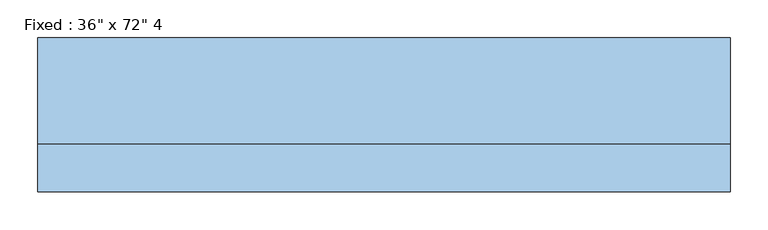
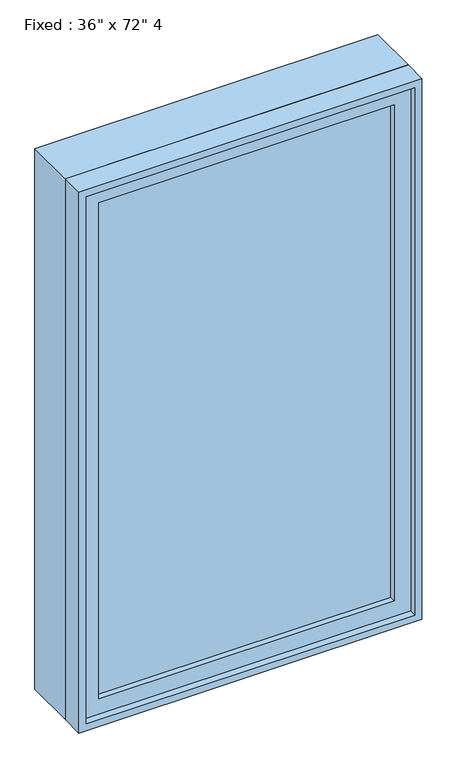
"""IFC4 building model written with IfcOpenShell, lengths in millimetres: window geometry."""

from ifc_helpers import new_model, si_unit, frame, origin, place, context, project, spatial, polyline, outline, extrude, source, transform, mapped, element, save


def window_cda71de7(model_context):
    return source(origin(), model_context, "Body", "SweptSolid", [
        extrude(outline(polyline([(355.6, -53.975), (355.6, -66.675), (-431.8, -66.675), (-431.8, -53.975), (355.6, -53.975)])), frame((0.0, 0.0, 368.3), z_axis=(0.0, 0.0, 1.0), x_axis=(1.0, 0.0, 0.0)), (0.0, 0.0, 1.0), 1397.0),
        extrude(outline(polyline([(1809.75, -476.25), (323.85, -476.25), (323.85, 400.05), (1809.75, 400.05), (1809.75, -476.25)]), holes=[polyline([(1765.3, -431.8), (1765.3, 355.6), (368.3, 355.6), (368.3, -431.8), (1765.3, -431.8)])]), frame((0.0, -82.55, 0.0), z_axis=(0.0, 1.0, 0.0), x_axis=(0.0, 0.0, 1.0)), (0.0, 0.0, 1.0), 44.45),
        extrude(outline(polyline([(1828.8, -495.3), (304.8, -495.3), (304.8, 419.1), (1828.8, 419.1), (1828.8, -495.3)]), holes=[polyline([(1797.05, -463.55), (1797.05, 387.35), (336.55, 387.35), (336.55, -463.55), (1797.05, -463.55)])]), frame((0.0, -38.1, 0.0), z_axis=(0.0, 1.0, 0.0), x_axis=(0.0, 0.0, 1.0)), (0.0, 0.0, 1.0), 139.7),
        extrude(outline(polyline([(1828.8, 419.1), (1828.8, -495.3), (304.8, -495.3), (304.8, 419.1), (1828.8, 419.1)]), holes=[polyline([(1809.75, 400.05), (323.85, 400.05), (323.85, -476.25), (1809.75, -476.25), (1809.75, 400.05)])]), frame((0.0, -101.6, 0.0), z_axis=(0.0, 1.0, 0.0), x_axis=(0.0, 0.0, 1.0)), (0.0, 0.0, 1.0), 63.5),
    ])


if __name__ == "__main__":
    model = new_model("IFC4")
    model_context = context("Model", 3, world=origin())
    ifc_project = project(units=[si_unit("LENGTHUNIT", "METRE", prefix="MILLI")], contexts=[model_context])
    site = spatial("IfcSite", under=ifc_project)
    building = spatial("IfcBuilding", under=site)
    placement = place(None, origin())
    window_shape = window_cda71de7(model_context)
    element("IfcWindow", 1, ObjectType="Fixed : 36\" x 72\" 4", at=placement, inside=building, context=model_context, shape_type="MappedRepresentation", body=[
        mapped(window_shape, transform((0.0, 0.0, 0.0), x_axis=(1.0, 0.0, 0.0), y_axis=(0.0, 1.0, 0.0), z_axis=(0.0, 0.0, 1.0))),
    ])
    save(model, "model.ifc")
